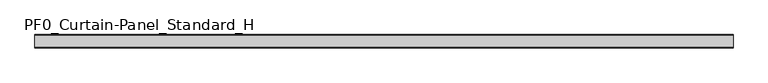
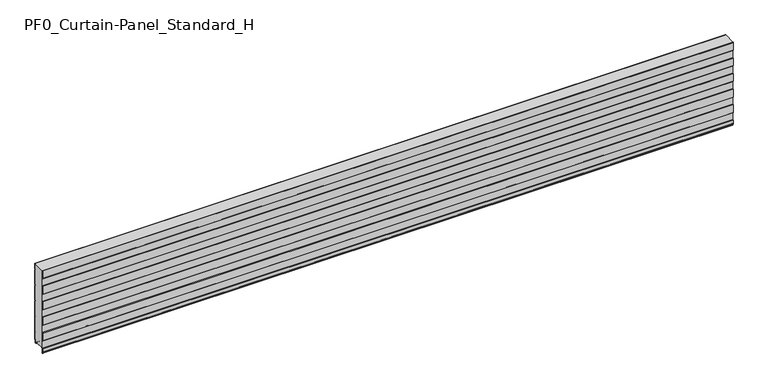
"""IFC4 building model written with IfcOpenShell, lengths in millimetres: plate geometry, PF0_Curtain-Panel_Standard_H."""

from ifc_helpers import new_model, si_unit, point, frame, frame_2d, origin, place, context, project, spatial, polyline, circle_curve, trimmed, segment, composite_curve, outline, extrude, source, transform, mapped, element, save


def pf0_curtain_panel_standard_h_c698e687(model_context):
    return source(origin(), model_context, "Body", "SweptSolid", [
        extrude(outline(composite_curve([segment(polyline([(-70.0, 0.0), (-73.5, 0.0)]), True, "CONTINUOUS"), segment(trimmed(circle_curve(frame_2d((-73.5, -2.0)), 2.0), [point((-73.5, 0.0))], [point((-75.5, -2.0))], True, "CARTESIAN"), True, "CONTINUOUS"), segment(polyline([(-75.5, -2.0), (-75.5, -33.0)]), True, "CONTINUOUS"), segment(trimmed(circle_curve(frame_2d((-76.5, -33.0)), 1.0), [point((-75.5, -33.0))], [point((-77.5, -33.0))], False, "CARTESIAN"), True, "CONTINUOUS"), segment(polyline([(-77.5, -33.0), (-77.5, -26.9)]), True, "CONTINUOUS"), segment(trimmed(circle_curve(frame_2d((-78.4, -26.9)), 0.9), [point((-77.5, -26.9))], [point((-78.4, -26.0))], True, "CARTESIAN"), True, "CONTINUOUS"), segment(trimmed(circle_curve(frame_2d((-78.4, -24.4)), 1.6), [point((-78.4, -26.0))], [point((-80.0, -24.4))], False, "CARTESIAN"), True, "CONTINUOUS"), segment(polyline([(-80.0, -24.4), (-80.0, -0.9952559), (-78.5, 1.6028217), (-78.5, 46.4028193), (-80.0, 49.0008969), (-80.0, 99.0047441), (-78.5, 101.6028217), (-78.5, 146.4028193), (-80.0, 149.0008969), (-80.0, 199.0047441), (-78.5, 201.6028217), (-78.5, 246.4028193), (-80.0, 249.0008969), (-80.0, 299.0047441), (-78.5, 301.6028217), (-78.5, 346.4028193), (-80.0, 349.0008969), (-80.0, 399.0047441), (-78.5, 401.6028217), (-78.5, 446.4028193), (-80.0, 449.0008969), (-80.0, 499.0047441), (-79.425389, 500.0), (-78.5016287, 500.0), (-79.2, 498.7903848), (-79.2, 449.2152562), (-77.7, 446.6171786), (-77.7, 401.3884624), (-79.2, 398.7903848), (-79.2, 349.2152562), (-77.7, 346.6171786), (-77.7, 301.3884624), (-79.2, 298.7903848), (-79.2, 249.2152562), (-77.7, 246.6171786), (-77.7, 201.3884624), (-79.2, 198.7903848), (-79.2, 149.2152562), (-77.7, 146.6171786), (-77.7, 101.3884624), (-79.2, 98.7903848), (-79.2, 49.2152562), (-77.7, 46.6171786), (-77.7, 1.3884624), (-79.2, -1.2096152), (-79.2, -24.4)]), True, "CONTINUOUS"), segment(trimmed(circle_curve(frame_2d((-78.4, -24.4)), 0.8), [point((-79.2, -24.4))], [point((-78.4, -25.2))], True, "CARTESIAN"), True, "CONTINUOUS"), segment(trimmed(circle_curve(frame_2d((-78.6133333, -26.9)), 1.7133333), [point((-78.4, -25.2))], [point((-76.9, -26.9))], False, "CARTESIAN"), True, "CONTINUOUS"), segment(polyline([(-76.9, -26.9), (-76.9, -32.8700312)]), True, "CONTINUOUS"), segment(trimmed(circle_curve(frame_2d((-76.6, -32.8700312)), 0.3), [point((-76.9, -32.8700312))], [point((-76.3, -32.8700312))], True, "CARTESIAN"), True, "CONTINUOUS"), segment(polyline([(-76.3, -32.8700312), (-76.3, -2.0)]), True, "CONTINUOUS"), segment(trimmed(circle_curve(frame_2d((-73.5, -2.0)), 2.8), [point((-76.3, -2.0))], [point((-73.5, 0.8))], False, "CARTESIAN"), True, "CONTINUOUS"), segment(polyline([(-73.5, 0.8), (-70.0, 0.8), (-70.0, 0.0)]), True, "CONTINUOUS")], self_intersect=False)), frame((-2100.0, 0.0, 0.0), z_axis=(1.0, 0.0, 0.0), x_axis=(0.0, 1.0, 0.0)), (0.0, 0.0, 1.0), 4200.0),
        extrude(outline(composite_curve([segment(polyline([(-15.878557, 0.0), (-20.0, 0.0), (-20.0, 0.8), (-15.878557, 0.8)]), True, "CONTINUOUS"), segment(trimmed(circle_curve(frame_2d((-15.878557, -2.0)), 2.8), [point((-15.878557, 0.8))], [point((-13.1503208, -1.370137))], False, "CARTESIAN"), True, "CONTINUOUS"), segment(polyline([(-13.1503208, -1.370137), (-11.728236, -7.529863)]), True, "CONTINUOUS"), segment(trimmed(circle_curve(frame_2d((-9.0, -6.9)), 2.8), [point((-11.728236, -7.529863))], [point((-6.2, -6.9))], True, "CARTESIAN"), True, "CONTINUOUS"), segment(polyline([(-6.2, -6.9), (-6.2, 8.6)]), True, "CONTINUOUS"), segment(trimmed(circle_curve(frame_2d((-3.4, 8.6)), 2.8), [point((-6.2, 8.6))], [point((-3.4, 11.4))], False, "CARTESIAN"), True, "CONTINUOUS"), segment(polyline([(-3.4, 11.4), (-2.0, 11.4)]), True, "CONTINUOUS"), segment(trimmed(circle_curve(frame_2d((-2.0, 12.6)), 1.2), [point((-2.0, 11.4))], [point((-0.8, 12.6))], True, "CARTESIAN"), True, "CONTINUOUS"), segment(polyline([(-0.8, 12.6), (-0.8, 57.6856412), (-2.482606, 60.6), (-0.8, 63.5143588), (-0.8, 157.6856412), (-2.482606, 160.6), (-0.8, 163.5143588), (-0.8, 257.6856412), (-2.482606, 260.6), (-0.8, 263.5143588), (-0.8, 357.6856412), (-2.482606, 360.6), (-0.8, 363.5143588), (-0.8, 457.6856412), (-2.482606, 460.6), (-0.8, 463.5143588), (-0.8, 500.0), (0.0, 500.0), (0.0, 463.2999995), (-1.5588455, 460.6), (0.0, 457.9000005), (0.0, 363.2999995), (-1.5588455, 360.6), (0.0, 357.9000005), (0.0, 263.2999995), (-1.5588455, 260.6), (0.0, 257.9000005), (0.0, 163.2999995), (-1.5588455, 160.6), (0.0, 157.9000005), (0.0, 63.2999995), (-1.5588455, 60.6), (0.0, 57.9000005), (0.0, 12.6)]), True, "CONTINUOUS"), segment(trimmed(circle_curve(frame_2d((-2.0, 12.6)), 2.0), [point((0.0, 12.6))], [point((-2.0, 10.6))], False, "CARTESIAN"), True, "CONTINUOUS"), segment(polyline([(-2.0, 10.6), (-3.4, 10.6)]), True, "CONTINUOUS"), segment(trimmed(circle_curve(frame_2d((-3.4, 8.6)), 2.0), [point((-3.4, 10.6))], [point((-5.4, 8.6))], True, "CARTESIAN"), True, "CONTINUOUS"), segment(polyline([(-5.4, 8.6), (-5.4, -6.9)]), True, "CONTINUOUS"), segment(trimmed(circle_curve(frame_2d((-9.0, -6.9)), 3.6), [point((-5.4, -6.9))], [point((-12.5077322, -7.7098239))], False, "CARTESIAN"), True, "CONTINUOUS"), segment(polyline([(-12.5077322, -7.7098239), (-13.929817, -1.5500979)]), True, "CONTINUOUS"), segment(trimmed(circle_curve(frame_2d((-15.878557, -2.0)), 2.0), [point((-13.929817, -1.5500979))], [point((-15.878557, 0.0))], True, "CARTESIAN"), True, "CONTINUOUS")], self_intersect=False)), frame((-2100.0, 0.0, 0.0), z_axis=(1.0, 0.0, 0.0), x_axis=(0.0, 1.0, 0.0)), (0.0, 0.0, 1.0), 4200.0),
        extrude(outline(composite_curve([segment(polyline([(-70.0, 0.8), (-73.5, 0.8)]), True, "CONTINUOUS"), segment(trimmed(circle_curve(frame_2d((-73.5, -2.0)), 2.8), [point((-73.5, 0.8))], [point((-76.3, -2.0))], True, "CARTESIAN"), True, "CONTINUOUS"), segment(polyline([(-76.3, -2.0), (-76.3, -32.8700312)]), True, "CONTINUOUS"), segment(trimmed(circle_curve(frame_2d((-76.6, -32.8700312)), 0.3), [point((-76.3, -32.8700312))], [point((-76.9, -32.8700312))], False, "CARTESIAN"), True, "CONTINUOUS"), segment(polyline([(-76.9, -32.8700312), (-76.9, -26.9)]), True, "CONTINUOUS"), segment(trimmed(circle_curve(frame_2d((-78.6133333, -26.9)), 1.7133333), [point((-76.9, -26.9))], [point((-78.4, -25.2))], True, "CARTESIAN"), True, "CONTINUOUS"), segment(trimmed(circle_curve(frame_2d((-78.4, -24.4)), 0.8), [point((-78.4, -25.2))], [point((-79.2, -24.4))], False, "CARTESIAN"), True, "CONTINUOUS"), segment(polyline([(-79.2, -24.4), (-79.2, -1.2096152), (-77.7, 1.3884624), (-77.7, 46.6171786), (-79.2, 49.2152562), (-79.2, 98.7903848), (-77.7, 101.3884624), (-77.7, 146.6171786), (-79.2, 149.2152562), (-79.2, 198.7903848), (-77.7, 201.3884624), (-77.7, 246.6171786), (-79.2, 249.2152562), (-79.2, 298.7903848), (-77.7, 301.3884624), (-77.7, 346.6171786), (-79.2, 349.2152562), (-79.2, 398.7903848), (-77.7, 401.3884624), (-77.7, 446.6171786), (-79.2, 449.2152562), (-79.2, 498.7903848), (-78.5016287, 500.0), (-0.8, 500.0), (-0.8, 463.5143588), (-2.482606, 460.6), (-0.8, 457.6856412), (-0.8, 363.5143588), (-2.482606, 360.6), (-0.8, 357.6856412), (-0.8, 263.5143588), (-2.482606, 260.6), (-0.8, 257.6856412), (-0.8, 163.5143588), (-2.482606, 160.6), (-0.8, 157.6856412), (-0.8, 63.5143588), (-2.482606, 60.6), (-0.8, 57.6856412), (-0.8, 12.6)]), True, "CONTINUOUS"), segment(trimmed(circle_curve(frame_2d((-2.0, 12.6)), 1.2), [point((-0.8, 12.6))], [point((-2.0, 11.4))], False, "CARTESIAN"), True, "CONTINUOUS"), segment(polyline([(-2.0, 11.4), (-3.4, 11.4)]), True, "CONTINUOUS"), segment(trimmed(circle_curve(frame_2d((-3.4, 8.6)), 2.8), [point((-3.4, 11.4))], [point((-6.2, 8.6))], True, "CARTESIAN"), True, "CONTINUOUS"), segment(polyline([(-6.2, 8.6), (-6.2, -6.9)]), True, "CONTINUOUS"), segment(trimmed(circle_curve(frame_2d((-9.0, -6.9)), 2.8), [point((-6.2, -6.9))], [point((-11.7282362, -7.529863))], False, "CARTESIAN"), True, "CONTINUOUS"), segment(polyline([(-11.7282362, -7.529863), (-13.1503208, -1.370137)]), True, "CONTINUOUS"), segment(trimmed(circle_curve(frame_2d((-15.878557, -2.0)), 2.8), [point((-13.1503208, -1.370137))], [point((-15.878557, 0.8))], True, "CARTESIAN"), True, "CONTINUOUS"), segment(polyline([(-15.878557, 0.8), (-20.0, 0.8), (-20.0, 0.0), (-70.0, 0.0), (-70.0, 0.8)]), True, "CONTINUOUS")], self_intersect=False)), frame((-2100.0, 0.0, 0.0), z_axis=(1.0, 0.0, 0.0), x_axis=(0.0, 1.0, 0.0)), (0.0, 0.0, 1.0), 4200.0),
    ])


if __name__ == "__main__":
    model = new_model("IFC4")
    model_context = context("Model", 3, world=origin())
    ifc_project = project(units=[si_unit("LENGTHUNIT", "METRE", prefix="MILLI")], contexts=[model_context])
    site = spatial("IfcSite", under=ifc_project)
    building = spatial("IfcBuilding", under=site)
    placement = place(None, origin())
    pf0_curtain_panel_standard_h_shape = pf0_curtain_panel_standard_h_c698e687(model_context)
    element("IfcPlate", 1, ObjectType="PF0_Curtain-Panel_Standard_H", at=placement, inside=building, context=model_context, shape_type="MappedRepresentation", body=[
        mapped(pf0_curtain_panel_standard_h_shape, transform((0.0, 0.0, 0.0), x_axis=(1.0, 0.0, 0.0), y_axis=(0.0, 1.0, 0.0), z_axis=(0.0, 0.0, 1.0))),
    ])
    save(model, "model.ifc")
